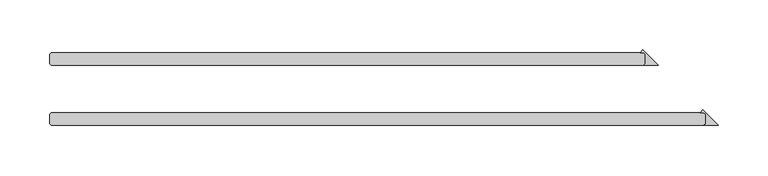
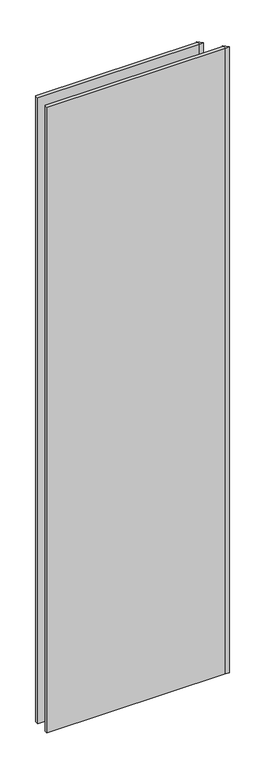
"""IFC4 building model written with IfcOpenShell, lengths in millimetres: plate geometry."""

from ifc_helpers import new_model, si_unit, origin, origin_with_axes, place, context, project, spatial, polyline, outline, extrude, source, transform, mapped, element, save


def plate_85d22d6e(model_context):
    return source(origin(), model_context, "Body", "SweptSolid", [
        extrude(outline(polyline([(280.590625, 25.4), (280.590625, 34.925), (279.003125, 36.5125), (275.170561, 36.5125), (277.880593, 39.222532), (293.290625, 23.8125), (279.003125, 23.8125), (280.590625, 25.4)])), origin_with_axes(), (0.0, 0.0, 1.0), 2428.7789267),
        extrude(outline(polyline([(340.915625, -34.925), (340.915625, -25.4), (339.328125, -23.8125), (335.495561, -23.8125), (338.205593, -21.102468), (353.615625, -36.5125), (339.328125, -36.5125), (340.915625, -34.925)])), origin_with_axes(), (0.0, 0.0, 1.0), 2428.7789267),
        extrude(outline(polyline([(279.003125, 23.8125), (-315.515625, 23.8125), (-317.103125, 25.4), (-317.103125, 34.925), (-315.515625, 36.5125), (279.003125, 36.5125), (280.590625, 34.925), (280.590625, 25.4), (279.003125, 23.8125)])), origin_with_axes(), (0.0, 0.0, 1.0), 2428.7789267),
        extrude(outline(polyline([(339.328125, -36.5125), (-315.515625, -36.5125), (-317.103125, -34.925), (-317.103125, -25.4), (-315.515625, -23.8125), (339.328125, -23.8125), (340.915625, -25.4), (340.915625, -34.925), (339.328125, -36.5125)])), origin_with_axes(), (0.0, 0.0, 1.0), 2428.7789267),
    ])


if __name__ == "__main__":
    model = new_model("IFC4")
    model_context = context("Model", 3, world=origin())
    ifc_project = project(units=[si_unit("LENGTHUNIT", "METRE", prefix="MILLI")], contexts=[model_context])
    site = spatial("IfcSite", under=ifc_project)
    building = spatial("IfcBuilding", under=site)
    placement = place(None, origin())
    plate_shape = plate_85d22d6e(model_context)
    element("IfcPlate", 1, at=placement, inside=building, context=model_context, shape_type="MappedRepresentation", body=[
        mapped(plate_shape, transform((0.0, 0.0, 0.0), x_axis=(1.0, 0.0, 0.0), y_axis=(0.0, 1.0, 0.0), z_axis=(0.0, 0.0, 1.0))),
    ])
    save(model, "model.ifc")
